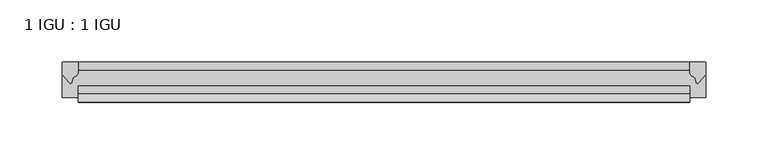
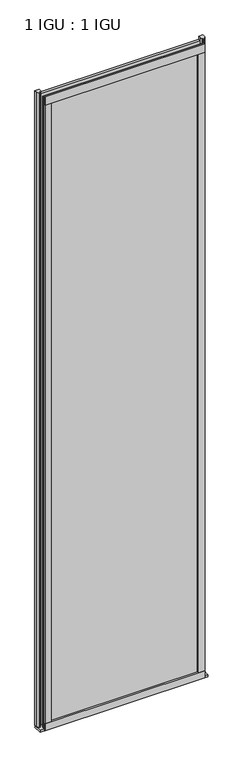
"""IFC4 building model written with IfcOpenShell, lengths in millimetres: plate geometry, 1 IGU : 1 IGU."""

from ifc_helpers import new_model, si_unit, point, frame, frame_2d, origin, place, context, project, spatial, polyline, circle_curve, trimmed, segment, composite_curve, outline, extrude, source, transform, mapped, element, save


def plate_1_igu_1_igu_ef2a6ff0(model_context):
    return source(origin(), model_context, "Body", "SweptSolid", [
        extrude(outline(polyline([(244.6555931, 0.0021347), (244.6555931, -6.2992), (-244.6555931, -6.2992), (-244.6555931, 0.0021347), (244.6555931, 0.0021347)])), frame((0.0, 0.0, -19.05), z_axis=(0.0, 0.0, 1.0), x_axis=(1.0, 0.0, 0.0)), (0.0, 0.0, 1.0), 2041.5250001),
        extrude(outline(polyline([(-244.6555931, -19.0986653), (244.6555931, -19.0986653), (244.6555931, -25.3978653), (-244.6555931, -25.3978653), (-244.6555931, -19.0986653)])), frame((0.0, 0.0, -19.05), z_axis=(0.0, 0.0, 1.0), x_axis=(1.0, 0.0, 0.0)), (0.0, 0.0, 1.0), 2041.5250001),
        extrude(outline(composite_curve([segment(trimmed(circle_curve(frame_2d((10.9021792, -22.6833935)), 11.4916952), [point((0.0, -19.05))], [point((-0.2638007, -25.4))], True, "CARTESIAN"), True, "CONTINUOUS"), segment(polyline([(-0.2638007, -25.4), (-27.9952564, -25.4), (-27.9952564, -19.05), (0.0, -19.05)]), True, "CONTINUOUS")], self_intersect=False)), frame((-257.3555931, 0.0, 0.0), z_axis=(1.0, 0.0, 0.0), x_axis=(0.0, 1.0, 0.0)), (0.0, 0.0, 1.0), 514.7111861),
        extrude(outline(composite_curve([segment(polyline([(257.3555931, 0.0), (257.3555931, -9.7395025), (251.7893622, -16.3730781)]), True, "CONTINUOUS"), segment(trimmed(circle_curve(frame_2d((250.8356872, -15.7728374)), 1.1268473), [point((251.7893622, -16.3730781))], [point((249.7347343, -16.0130197))], False, "CARTESIAN"), True, "CONTINUOUS"), segment(polyline([(249.7347343, -16.0130197), (248.7545428, -11.7377885)]), True, "CONTINUOUS"), segment(trimmed(circle_curve(frame_2d((248.627091, -7.7683362)), 3.9714979), [point((248.7545428, -11.7377885))], [point((244.6557717, -7.8060014))], False, "CARTESIAN"), True, "CONTINUOUS"), segment(polyline([(244.6557717, -7.8060014), (244.6557717, 0.0), (257.3555931, 0.0)]), True, "CONTINUOUS")], self_intersect=False)), frame((0.0, 0.0, -19.05), z_axis=(0.0, 0.0, 1.0), x_axis=(1.0, 0.0, 0.0)), (0.0, 0.0, 1.0), 2051.8374001),
        extrude(outline(composite_curve([segment(polyline([(-244.6555931, 8.8e-06), (-244.6555931, -7.7683362)]), True, "CONTINUOUS"), segment(trimmed(circle_curve(frame_2d((-248.627091, -7.7683362)), 3.9714979), [point((-244.6555931, -7.7683362))], [point((-248.7545428, -11.7377885))], False, "CARTESIAN"), True, "CONTINUOUS"), segment(polyline([(-248.7545428, -11.7377885), (-249.7345773, -16.012436)]), True, "CONTINUOUS"), segment(trimmed(circle_curve(frame_2d((-250.8357864, -15.7723555)), 1.1270758), [point((-249.7345773, -16.012436))], [point((-251.7896258, -16.372764))], False, "CARTESIAN"), True, "CONTINUOUS"), segment(polyline([(-251.7896258, -16.372764), (-257.3555931, -9.7395025), (-257.3555931, 8.8e-06), (-244.6555931, 8.8e-06)]), True, "CONTINUOUS")], self_intersect=False)), frame((0.0, 0.0, -19.05), z_axis=(0.0, 0.0, 1.0), x_axis=(1.0, 0.0, 0.0)), (0.0, 0.0, 1.0), 2051.8374001),
        extrude(outline(composite_curve([segment(polyline([(-31.75, 0.0), (-25.4, 0.0), (-25.4, -22.225)]), True, "CONTINUOUS"), segment(trimmed(circle_curve(frame_2d((-28.575, -28.9113452)), 7.4018806), [point((-25.4, -22.225))], [point((-31.75, -22.225))], True, "CARTESIAN"), True, "CONTINUOUS"), segment(polyline([(-31.75, -22.225), (-31.75, 0.0)]), True, "CONTINUOUS")], self_intersect=False)), frame((-244.6555931, 0.0, 0.0), z_axis=(1.0, 0.0, 0.0), x_axis=(0.0, 1.0, 0.0)), (0.0, 0.0, 1.0), 489.3111861),
        extrude(outline(composite_curve([segment(polyline([(-25.4, 2025.6500001), (-25.4, 2000.2500001), (-31.75, 2000.2500001), (-31.75, 2028.4228974)]), True, "CONTINUOUS"), segment(trimmed(circle_curve(frame_2d((-24.1401272, 2037.1924116)), 11.6109665), [point((-31.75, 2028.4228974))], [point((-25.4, 2025.6500001))], True, "CARTESIAN"), True, "CONTINUOUS")], self_intersect=False)), frame((-244.6555931, 0.0, 0.0), z_axis=(1.0, 0.0, 0.0), x_axis=(0.0, 1.0, 0.0)), (0.0, 0.0, 1.0), 489.3111861),
        extrude(outline(composite_curve([segment(polyline([(225.6055931, -25.4), (244.6555931, -25.4)]), True, "CONTINUOUS"), segment(trimmed(circle_curve(frame_2d((254.1217438, -28.575)), 9.9844196), [point((244.6555931, -25.4))], [point((244.6555931, -31.75))], True, "CARTESIAN"), True, "CONTINUOUS"), segment(polyline([(244.6555931, -31.75), (225.6055931, -31.75), (225.6055931, -25.4)]), True, "CONTINUOUS")], self_intersect=False)), frame((0.0, 0.0, -19.05), z_axis=(0.0, 0.0, 1.0), x_axis=(1.0, 0.0, 0.0)), (0.0, 0.0, 1.0), 2041.5250001),
        extrude(outline(composite_curve([segment(trimmed(circle_curve(frame_2d((-254.1217438, -28.575)), 9.9844196), [point((-244.6555931, -31.75))], [point((-244.6555931, -25.4))], True, "CARTESIAN"), True, "CONTINUOUS"), segment(polyline([(-244.6555931, -25.4), (-225.6055931, -25.4), (-225.6055931, -31.75), (-244.6555931, -31.75)]), True, "CONTINUOUS")], self_intersect=False)), frame((0.0, 0.0, -19.05), z_axis=(0.0, 0.0, 1.0), x_axis=(1.0, 0.0, 0.0)), (0.0, 0.0, 1.0), 2041.5250001),
    ])


if __name__ == "__main__":
    model = new_model("IFC4")
    model_context = context("Model", 3, world=origin())
    ifc_project = project(units=[si_unit("LENGTHUNIT", "METRE", prefix="MILLI")], contexts=[model_context])
    site = spatial("IfcSite", under=ifc_project)
    building = spatial("IfcBuilding", under=site)
    placement = place(None, origin())
    plate_1_igu_1_igu_shape = plate_1_igu_1_igu_ef2a6ff0(model_context)
    element("IfcPlate", 1, ObjectType="1 IGU : 1 IGU", at=placement, inside=building, context=model_context, shape_type="MappedRepresentation", body=[
        mapped(plate_1_igu_1_igu_shape, transform((0.0, 0.0, 0.0), x_axis=(1.0, 0.0, 0.0), y_axis=(0.0, 1.0, 0.0), z_axis=(0.0, 0.0, 1.0))),
    ])
    save(model, "model.ifc")
